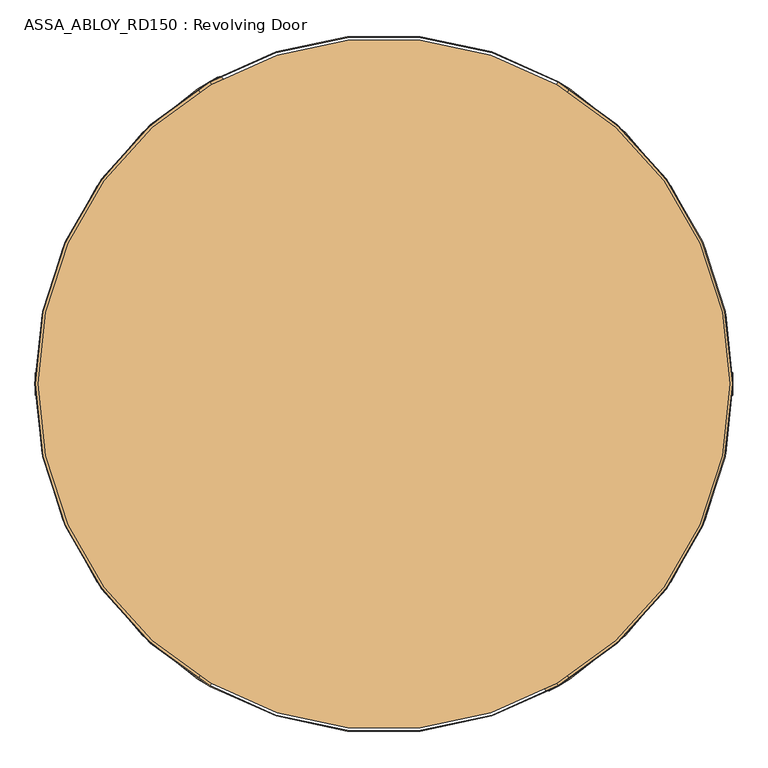
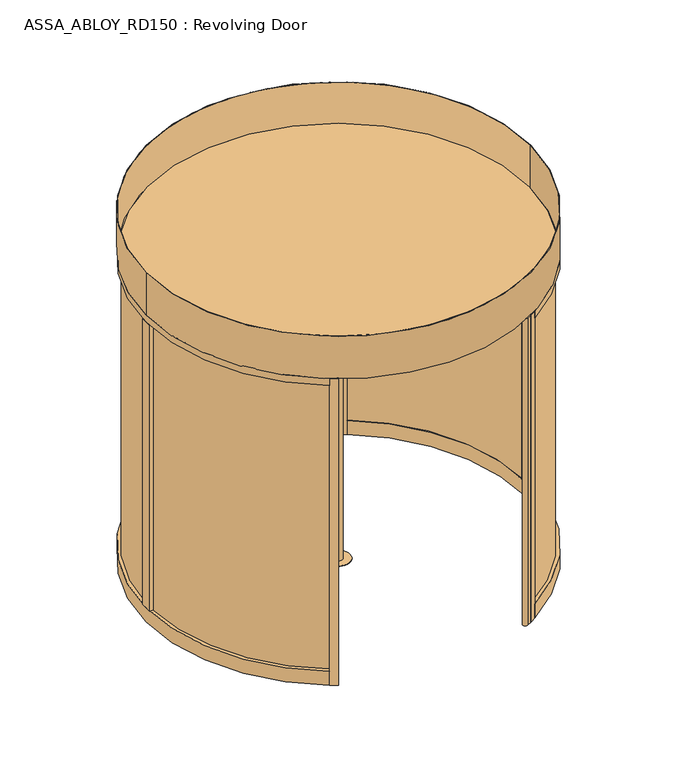
"""IFC4 building model written with IfcOpenShell, lengths in millimetres: door geometry, ASSA_ABLOY_RD150 : Revolving Door."""

from ifc_helpers import new_model, si_unit, point, frame, frame_2d, origin, origin_with_axes, origin_2d, place, context, project, spatial, polyline, circle_curve, trimmed, segment, composite_curve, outline, extrude, source, transform, mapped, element, save


def assa_abloy_rd150_revolving_door_ef38d8df(model_context):
    return source(origin(), model_context, "Body", "SweptSolid", [
        extrude(outline(polyline([(28.0, -1415.4407922), (47.8848654, -1422.768158), (47.8848654, -1426.3412198), (28.0, -1433.6685856), (28.0, -1430.8463846), (33.6340452, -1428.842363), (33.6340452, -1420.2721931), (28.0, -1418.2681716), (28.0, -1415.4407922)]), holes=[polyline([(35.9539462, -1421.126621), (35.9539462, -1428.0034703), (45.4562191, -1424.5546889), (35.9539462, -1421.126621)])]), frame((0.0, -22.0, 0.0), z_axis=(0.0, 1.0, 0.0), x_axis=(0.0, 0.0, 1.0)), (0.0, 0.0, 1.0), 2.0),
        extrude(outline(polyline([(33.6858287, -1397.8758278), (36.999973, -1399.0383674), (38.7709688, -1402.505273), (39.3172847, -1405.2731013), (39.7703904, -1407.7923687), (40.8500765, -1410.1355723), (42.794547, -1410.8009903), (45.0290052, -1409.4442625), (45.8963789, -1405.8556657), (45.2361392, -1401.8761034), (43.5764779, -1398.5386566), (46.7870552, -1398.5386566), (47.804601, -1401.7466447), (48.2162799, -1405.7262069), (46.6239371, -1411.269631), (42.5408079, -1413.4523057), (39.0195296, -1412.1292372), (37.1087183, -1408.061643), (36.6685585, -1405.4931812), (36.2283987, -1403.2405988), (35.2574581, -1401.1977395), (33.3129875, -1400.5271432), (30.8946979, -1401.9330653), (29.9884865, -1405.8660224), (30.6772071, -1409.6772883), (32.6398019, -1413.4523057), (29.2790525, -1413.4523057), (28.0750861, -1409.9051357), (27.6685856, -1405.9747678), (28.147583, -1402.4949163), (29.4810082, -1399.9678813), (31.3944087, -1398.4247329), (33.6858287, -1397.8758278)])), frame((0.0, -22.0, 0.0), z_axis=(0.0, 1.0, 0.0), x_axis=(0.0, 0.0, 1.0)), (0.0, 0.0, 1.0), 2.0),
        extrude(outline(polyline([(33.6858287, -1378.9852056), (36.999973, -1380.1477453), (38.7709688, -1383.6146508), (39.3172847, -1386.3824791), (39.7703904, -1388.9017466), (40.8500765, -1391.2449501), (42.794547, -1391.9103681), (45.0290052, -1390.5536403), (45.8963789, -1386.9650435), (45.2361392, -1382.9854813), (43.5764779, -1379.6480344), (46.7870552, -1379.6480344), (47.804601, -1382.8560225), (48.2162799, -1386.8355848), (46.6239371, -1392.3790088), (42.5408079, -1394.5616835), (39.0195296, -1393.238615), (37.1087183, -1389.1710208), (36.6685585, -1386.602559), (36.2283987, -1384.3499766), (35.2574581, -1382.3071174), (33.3129875, -1381.636521), (30.8946979, -1383.0424431), (29.9884865, -1386.9754002), (30.6772071, -1390.7866661), (32.6398019, -1394.5616835), (29.2790525, -1394.5616835), (28.0750861, -1391.0145135), (27.6685856, -1387.0841456), (28.147583, -1383.6042941), (29.4810082, -1381.0772591), (31.3944087, -1379.5341107), (33.6858287, -1378.9852056)])), frame((0.0, -22.0, 0.0), z_axis=(0.0, 1.0, 0.0), x_axis=(0.0, 0.0, 1.0)), (0.0, 0.0, 1.0), 2.0),
        extrude(outline(polyline([(28.0, -1358.7689257), (47.8848654, -1366.0962915), (47.8848654, -1369.6693533), (28.0, -1376.996719), (28.0, -1374.1745181), (33.6340452, -1372.1704965), (33.6340452, -1363.6003266), (28.0, -1361.596305), (28.0, -1358.7689257)]), holes=[polyline([(35.9539462, -1364.4547544), (35.9539462, -1371.3316037), (45.4562191, -1367.8828224), (35.9539462, -1364.4547544)])]), frame((0.0, -22.0, 0.0), z_axis=(0.0, 1.0, 0.0), x_axis=(0.0, 0.0, 1.0)), (0.0, 0.0, 1.0), 2.0),
        extrude(outline(polyline([(28.0, -1330.2672852), (47.8848654, -1337.594651), (47.8848654, -1341.1677128), (28.0, -1348.4950786), (28.0, -1345.6728776), (33.6340452, -1343.668856), (33.6340452, -1335.0986861), (28.0, -1333.0946645), (28.0, -1330.2672852)]), holes=[polyline([(35.9539462, -1335.953114), (35.9539462, -1342.8299633), (45.4562191, -1339.3811819), (35.9539462, -1335.953114)])]), frame((0.0, -22.0, 0.0), z_axis=(0.0, 1.0, 0.0), x_axis=(0.0, 0.0, 1.0)), (0.0, 0.0, 1.0), 2.0),
        extrude(outline(polyline([(34.1311668, -1312.0394919), (37.561824, -1313.2097991), (39.4441543, -1316.4100196), (41.0597997, -1314.4370681), (43.4521975, -1313.696564), (45.5960346, -1314.2014532), (47.0615077, -1315.824866), (47.7269258, -1317.9402222), (47.8848654, -1321.2673123), (47.8848654, -1327.2845554), (28.0, -1327.2845554), (28.0, -1320.1177185), (28.3754304, -1316.6482237), (29.6311804, -1314.1419022), (31.5083324, -1312.6091105), (34.1311668, -1312.0394919)]), holes=[polyline([(41.5595105, -1317.6631804), (39.9309193, -1321.0498216), (39.9309193, -1324.63324), (45.5649645, -1324.63324), (45.5649645, -1321.3294525), (45.4795217, -1319.0069623), (41.5595105, -1317.6631804)]), polyline([(34.0172431, -1314.6908073), (32.3187442, -1315.0507027), (31.148437, -1316.1821722), (30.4985541, -1318.0645026), (30.319901, -1321.0083948), (30.319901, -1324.63324), (37.6110183, -1324.63324), (37.6110183, -1320.3352092), (37.5126296, -1318.0308433), (37.0828266, -1316.4203763), (35.8995735, -1315.0636485), (34.0172431, -1314.6908073)])]), frame((0.0, -22.0, 0.0), z_axis=(0.0, 1.0, 0.0), x_axis=(0.0, 0.0, 1.0)), (0.0, 0.0, 1.0), 2.0),
        extrude(outline(polyline([(28.0, -1295.8001851), (30.319901, -1295.8001851), (30.319901, -1305.7426179), (47.8848654, -1305.7426179), (47.8848654, -1308.3939332), (28.0, -1308.3939332), (28.0, -1295.8001851)])), frame((0.0, -22.0, 0.0), z_axis=(0.0, 1.0, 0.0), x_axis=(0.0, 0.0, 1.0)), (0.0, 0.0, 1.0), 2.0),
        extrude(outline(polyline([(45.5390727, -1278.3905712), (47.5197917, -1281.2464314), (48.2162799, -1285.0343947), (47.5275593, -1288.7861095), (45.5390727, -1291.6678615), (42.2611769, -1293.5113543), (37.9372544, -1294.143113), (33.5770834, -1293.5035867), (30.3561494, -1291.6782182), (28.3573062, -1288.7990554), (27.6685856, -1285.0343947), (28.3443603, -1281.2593773), (30.3561494, -1278.3905712), (33.571905, -1276.5677918), (37.9372544, -1275.9153197), (42.292247, -1276.554846), (45.5390727, -1278.3905712)]), holes=[polyline([(37.9372544, -1278.5666351), (32.0339349, -1280.3169175), (29.9884865, -1285.024038), (32.0339349, -1289.7337477), (37.9372544, -1291.4917976), (43.8250388, -1289.7674069), (45.8963789, -1285.024038), (43.8250388, -1280.2962041), (37.9372544, -1278.5666351)])]), frame((0.0, -22.0, 0.0), z_axis=(0.0, 1.0, 0.0), x_axis=(0.0, 0.0, 1.0)), (0.0, 0.0, 1.0), 2.0),
        extrude(outline(polyline([(47.8848654, -1257.0246975), (47.8848654, -1260.1938479), (38.9884595, -1265.6259375), (47.8848654, -1271.1149889), (47.8848654, -1274.2582476), (36.4407111, -1266.9671302), (28.0, -1266.9671302), (28.0, -1264.3158148), (36.720342, -1264.3158148), (47.8848654, -1257.0246975)])), frame((0.0, -22.0, 0.0), z_axis=(0.0, 1.0, 0.0), x_axis=(0.0, 0.0, 1.0)), (0.0, 0.0, 1.0), 2.0),
        extrude(outline(polyline([(28.0, -1275.9153197), (28.0, -1273.0879404), (33.6340452, -1271.0839188), (33.6340452, -1262.5137489), (28.0, -1260.5097273), (28.0, -1257.6875264), (47.8848654, -1265.0148921), (47.8848654, -1268.5879539), (28.0, -1275.9153197)]), holes=[polyline([(35.9539462, -1270.229491), (45.4562191, -1266.801423), (35.9539462, -1263.3526417), (35.9539462, -1270.229491)])]), frame((0.0, 20.0, 0.0), z_axis=(0.0, 1.0, 0.0), x_axis=(0.0, 0.0, 1.0)), (0.0, 0.0, 1.0), 2.0),
        extrude(outline(polyline([(33.6858287, -1293.4802842), (31.3944087, -1292.931379), (29.4810082, -1291.3882306), (28.147583, -1288.8611956), (27.6685856, -1285.3813442), (28.0750861, -1281.4509762), (29.2790525, -1277.9038062), (32.6398019, -1277.9038062), (30.6772071, -1281.6788237), (29.9884865, -1285.4900895), (30.8946979, -1289.4230466), (33.3129875, -1290.8289688), (35.2574581, -1290.1583724), (36.2283987, -1288.1155132), (36.6685585, -1285.8629308), (37.1087183, -1283.294469), (39.0195296, -1279.2268747), (42.5408079, -1277.9038062), (46.6239371, -1280.0864809), (48.2162799, -1285.629905), (47.804601, -1289.6094673), (46.7870552, -1292.8174553), (43.5764779, -1292.8174553), (45.2361392, -1289.4800085), (45.8963789, -1285.5004462), (45.0290052, -1281.9118494), (42.794547, -1280.5551216), (40.8500765, -1281.2205396), (39.7703904, -1283.5637432), (39.3172847, -1286.0830106), (38.7709688, -1288.8508389), (36.999973, -1292.3177445), (33.6858287, -1293.4802842)])), frame((0.0, 20.0, 0.0), z_axis=(0.0, 1.0, 0.0), x_axis=(0.0, 0.0, 1.0)), (0.0, 0.0, 1.0), 2.0),
        extrude(outline(polyline([(33.6858287, -1312.3709063), (31.3944087, -1311.8220012), (29.4810082, -1310.2788528), (28.147583, -1307.7518178), (27.6685856, -1304.2719663), (28.0750861, -1300.3415984), (29.2790525, -1296.7944284), (32.6398019, -1296.7944284), (30.6772071, -1300.5694458), (29.9884865, -1304.3807117), (30.8946979, -1308.3136688), (33.3129875, -1309.7195909), (35.2574581, -1309.0489946), (36.2283987, -1307.0061353), (36.6685585, -1304.7535529), (37.1087183, -1302.1850911), (39.0195296, -1298.1174969), (42.5408079, -1296.7944284), (46.6239371, -1298.9771031), (48.2162799, -1304.5205272), (47.804601, -1308.5000894), (46.7870552, -1311.7080775), (43.5764779, -1311.7080775), (45.2361392, -1308.3706307), (45.8963789, -1304.3910684), (45.0290052, -1300.8024716), (42.794547, -1299.4457438), (40.8500765, -1300.1111618), (39.7703904, -1302.4543654), (39.3172847, -1304.9736328), (38.7709688, -1307.7414611), (36.999973, -1311.2083667), (33.6858287, -1312.3709063)])), frame((0.0, 20.0, 0.0), z_axis=(0.0, 1.0, 0.0), x_axis=(0.0, 0.0, 1.0)), (0.0, 0.0, 1.0), 2.0),
        extrude(outline(polyline([(28.0, -1332.5871862), (28.0, -1329.7598069), (33.6340452, -1327.7557853), (33.6340452, -1319.1856154), (28.0, -1317.1815938), (28.0, -1314.3593929), (47.8848654, -1321.6867587), (47.8848654, -1325.2598204), (28.0, -1332.5871862)]), holes=[polyline([(35.9539462, -1326.9013575), (45.4562191, -1323.4732895), (35.9539462, -1320.0245082), (35.9539462, -1326.9013575)])]), frame((0.0, 20.0, 0.0), z_axis=(0.0, 1.0, 0.0), x_axis=(0.0, 0.0, 1.0)), (0.0, 0.0, 1.0), 2.0),
        extrude(outline(polyline([(28.0, -1361.0888267), (28.0, -1358.2614474), (33.6340452, -1356.2574258), (33.6340452, -1347.6872559), (28.0, -1345.6832343), (28.0, -1342.8610334), (47.8848654, -1350.1883991), (47.8848654, -1353.7614609), (28.0, -1361.0888267)]), holes=[polyline([(35.9539462, -1355.402998), (45.4562191, -1351.97493), (35.9539462, -1348.5261487), (35.9539462, -1355.402998)])]), frame((0.0, 20.0, 0.0), z_axis=(0.0, 1.0, 0.0), x_axis=(0.0, 0.0, 1.0)), (0.0, 0.0, 1.0), 2.0),
        extrude(outline(polyline([(34.1311668, -1379.31662), (31.5083324, -1378.7470015), (29.6311804, -1377.2142098), (28.3754304, -1374.7078882), (28.0, -1371.2383934), (28.0, -1364.0715565), (47.8848654, -1364.0715565), (47.8848654, -1370.0887996), (47.7269258, -1373.4158898), (47.0615077, -1375.5312459), (45.5960346, -1377.1546587), (43.4521975, -1377.6595479), (41.0597997, -1376.9190438), (39.4441543, -1374.9460923), (37.561824, -1378.1463128), (34.1311668, -1379.31662)]), holes=[polyline([(41.5595105, -1373.6929315), (45.4795217, -1372.3491496), (45.5649645, -1370.0266594), (45.5649645, -1366.7228719), (39.9309193, -1366.7228719), (39.9309193, -1370.3062904), (41.5595105, -1373.6929315)]), polyline([(34.0172431, -1376.6653046), (35.8995735, -1376.2924634), (37.0828266, -1374.9357356), (37.5126296, -1373.3252686), (37.6110183, -1371.0209027), (37.6110183, -1366.7228719), (30.319901, -1366.7228719), (30.319901, -1370.3477172), (30.4985541, -1373.2916094), (31.148437, -1375.1739397), (32.3187442, -1376.3054093), (34.0172431, -1376.6653046)])]), frame((0.0, 20.0, 0.0), z_axis=(0.0, 1.0, 0.0), x_axis=(0.0, 0.0, 1.0)), (0.0, 0.0, 1.0), 2.0),
        extrude(outline(polyline([(28.0, -1395.5559268), (28.0, -1382.9621787), (47.8848654, -1382.9621787), (47.8848654, -1385.6134941), (30.319901, -1385.6134941), (30.319901, -1395.5559268), (28.0, -1395.5559268)])), frame((0.0, 20.0, 0.0), z_axis=(0.0, 1.0, 0.0), x_axis=(0.0, 0.0, 1.0)), (0.0, 0.0, 1.0), 2.0),
        extrude(outline(polyline([(45.5390727, -1412.9655408), (42.292247, -1414.801266), (37.9372544, -1415.4407922), (33.571905, -1414.7883201), (30.3561494, -1412.9655408), (28.3443603, -1410.0967347), (27.6685856, -1406.3217172), (28.3573062, -1402.5570565), (30.3561494, -1399.6778937), (33.5770834, -1397.8525252), (37.9372544, -1397.2129989), (42.2611769, -1397.8447577), (45.5390727, -1399.6882504), (47.5275593, -1402.5700024), (48.2162799, -1406.3217172), (47.5197917, -1410.1096805), (45.5390727, -1412.9655408)]), holes=[polyline([(37.9372544, -1412.7894769), (43.8250388, -1411.0599078), (45.8963789, -1406.3320739), (43.8250388, -1401.588705), (37.9372544, -1399.8643143), (32.0339349, -1401.6223643), (29.9884865, -1406.3320739), (32.0339349, -1411.0391944), (37.9372544, -1412.7894769)])]), frame((0.0, 20.0, 0.0), z_axis=(0.0, 1.0, 0.0), x_axis=(0.0, 0.0, 1.0)), (0.0, 0.0, 1.0), 2.0),
        extrude(outline(polyline([(47.8848654, -1434.3314144), (36.720342, -1427.0402971), (28.0, -1427.0402971), (28.0, -1424.3889817), (36.4407111, -1424.3889817), (47.8848654, -1417.0978644), (47.8848654, -1420.241123), (38.9884595, -1425.7301744), (47.8848654, -1431.162264), (47.8848654, -1434.3314144)])), frame((0.0, 20.0, 0.0), z_axis=(0.0, 1.0, 0.0), x_axis=(0.0, 0.0, 1.0)), (0.0, 0.0, 1.0), 2.0),
        extrude(outline(composite_curve([segment(polyline([(-750.0, 1299.0381057), (-770.0, 1333.6791218)]), True, "CONTINUOUS"), segment(trimmed(circle_curve(origin_2d(), 1540.0), [point((-770.0, 1333.6791218))], [point((-735.0991998, 1353.2291626))], False, "CARTESIAN"), True, "CONTINUOUS"), segment(trimmed(circle_curve(frame_2d((-725.5459259, 1335.642735)), 20.0136823), [point((-735.0991998, 1353.2291626))], [point((-715.0922698, 1318.5761433))], False, "CARTESIAN"), True, "CONTINUOUS"), segment(trimmed(circle_curve(origin_2d(), 1500.0), [point((-715.0922698, 1318.5761433))], [point((-750.0, 1299.0381057))], True, "CARTESIAN"), True, "CONTINUOUS")], self_intersect=False)), origin_with_axes(), (0.0, 0.0, 1.0), 2600.0),
        extrude(outline(composite_curve([segment(polyline([(750.0, -1299.0381057), (770.0, -1333.6791218)]), True, "CONTINUOUS"), segment(trimmed(circle_curve(origin_2d(), 1540.0), [point((770.0, -1333.6791218))], [point((735.0991998, -1353.2291626))], False, "CARTESIAN"), True, "CONTINUOUS"), segment(trimmed(circle_curve(frame_2d((725.5459259, -1335.642735)), 20.0136823), [point((735.0991998, -1353.2291626))], [point((715.0922698, -1318.5761433))], False, "CARTESIAN"), True, "CONTINUOUS"), segment(trimmed(circle_curve(origin_2d(), 1500.0), [point((715.0922698, -1318.5761433))], [point((750.0, -1299.0381057))], True, "CARTESIAN"), True, "CONTINUOUS")], self_intersect=False)), origin_with_axes(), (0.0, 0.0, 1.0), 2600.0),
        extrude(outline(composite_curve([segment(trimmed(circle_curve(origin_2d(), 1526.0), [point((-1526.0, 0.0))], [point((1526.0, 0.0))], False, "CARTESIAN"), True, "CONTINUOUS"), segment(trimmed(circle_curve(origin_2d(), 1526.0), [point((1526.0, 0.0))], [point((-1526.0, 0.0))], False, "CARTESIAN"), True, "CONTINUOUS")], self_intersect=False)), frame((0.0, 0.0, 2600.0), z_axis=(0.0, 0.0, 1.0), x_axis=(1.0, 0.0, 0.0)), (0.0, 0.0, 1.0), 16.0),
        extrude(outline(composite_curve([segment(polyline([(-821.3768867, 1302.4599245), (-801.361284, 1267.7918838)]), True, "CONTINUOUS"), segment(trimmed(circle_curve(frame_2d((0.0, -0.2065754)), 1500.0), [point((-801.361284, 1267.7918838))], [point((-801.361284, -1268.2050346))], True, "CARTESIAN"), True, "CONTINUOUS"), segment(polyline([(-801.361284, -1268.2050346), (-821.3768867, -1302.8730753)]), True, "CONTINUOUS"), segment(trimmed(circle_curve(frame_2d((0.0, -0.2065754)), 1540.0), [point((-821.3768867, -1302.8730753))], [point((-821.3768867, 1302.4599245))], False, "CARTESIAN"), True, "CONTINUOUS")], self_intersect=False)), frame((0.0, 0.0, 2543.0), z_axis=(0.0, 0.0, 1.0), x_axis=(1.0, 0.0, 0.0)), (0.0, 0.0, 1.0), 60.0),
        extrude(outline(composite_curve([segment(polyline([(-821.3768867, -1302.8730753), (-801.361284, -1268.2050346)]), True, "CONTINUOUS"), segment(trimmed(circle_curve(frame_2d((0.0, -0.2065754)), 1500.0), [point((-801.361284, -1268.2050346))], [point((-750.0, -1299.2446811))], True, "CARTESIAN"), True, "CONTINUOUS"), segment(polyline([(-750.0, -1299.2446811), (-770.0, -1333.8856972)]), True, "CONTINUOUS"), segment(trimmed(circle_curve(frame_2d((0.0, -0.2065754)), 1540.0), [point((-770.0, -1333.8856972))], [point((-821.3768867, -1302.8730753))], False, "CARTESIAN"), True, "CONTINUOUS")], self_intersect=False)), frame((0.0, 0.0, 3.0), z_axis=(0.0, 0.0, 1.0), x_axis=(1.0, 0.0, 0.0)), (0.0, 0.0, 1.0), 2600.0),
        extrude(outline(composite_curve([segment(polyline([(-770.0, 1333.4725464), (-750.0, 1298.8315303)]), True, "CONTINUOUS"), segment(trimmed(circle_curve(frame_2d((0.0, -0.2065754)), 1500.0), [point((-750.0, 1298.8315303))], [point((-801.361284, 1267.7918838))], True, "CARTESIAN"), True, "CONTINUOUS"), segment(polyline([(-801.361284, 1267.7918838), (-821.3768867, 1302.4599245)]), True, "CONTINUOUS"), segment(trimmed(circle_curve(frame_2d((0.0, -0.2065754)), 1540.0), [point((-821.3768867, 1302.4599245))], [point((-770.0, 1333.4725464))], False, "CARTESIAN"), True, "CONTINUOUS")], self_intersect=False)), frame((0.0, 0.0, 3.0), z_axis=(0.0, 0.0, 1.0), x_axis=(1.0, 0.0, 0.0)), (0.0, 0.0, 1.0), 2600.0),
        extrude(outline(composite_curve([segment(polyline([(-1512.1736011, -50.2065754), (-1504.1692059, -50.2065754)]), True, "CONTINUOUS"), segment(trimmed(circle_curve(frame_2d((0.0, -0.2065754)), 1505.0), [point((-1504.1692059, -50.2065754))], [point((-803.8632798, -1272.5386183))], True, "CARTESIAN"), True, "CONTINUOUS"), segment(polyline([(-803.8632798, -1272.5386183), (-807.8664455, -1279.4723047)]), True, "CONTINUOUS"), segment(trimmed(circle_curve(frame_2d((0.0, -0.2065754)), 1513.0), [point((-807.8664455, -1279.4723047))], [point((-1512.1736011, -50.2065754))], False, "CARTESIAN"), True, "CONTINUOUS")], self_intersect=False)), frame((0.0, 0.0, 123.0), z_axis=(0.0, 0.0, 1.0), x_axis=(1.0, 0.0, 0.0)), (0.0, 0.0, 1.0), 2420.0),
        extrude(outline(composite_curve([segment(polyline([(-807.8664455, 1279.0591539), (-803.8632798, 1272.1254675)]), True, "CONTINUOUS"), segment(trimmed(circle_curve(frame_2d((0.0, -0.2065754)), 1505.0), [point((-803.8632798, 1272.1254675))], [point((-1504.1692059, 49.7934246))], True, "CARTESIAN"), True, "CONTINUOUS"), segment(polyline([(-1504.1692059, 49.7934246), (-1512.1736011, 49.7934246)]), True, "CONTINUOUS"), segment(trimmed(circle_curve(frame_2d((0.0, -0.2065754)), 1513.0), [point((-1512.1736011, 49.7934246))], [point((-807.8664455, 1279.0591539))], False, "CARTESIAN"), True, "CONTINUOUS")], self_intersect=False)), frame((0.0, 0.0, 123.0), z_axis=(0.0, 0.0, 1.0), x_axis=(1.0, 0.0, 0.0)), (0.0, 0.0, 1.0), 2420.0),
        extrude(outline(polyline([(-1540.0, -50.2065754), (-1540.0, 49.7934246), (-1500.0, 49.7934246), (-1500.0, -50.2065754), (-1540.0, -50.2065754)])), frame((0.0, 0.0, 123.0), z_axis=(0.0, 0.0, 1.0), x_axis=(1.0, 0.0, 0.0)), (0.0, 0.0, 1.0), 2420.0),
        extrude(outline(composite_curve([segment(polyline([(-821.3768867, 1302.4599245), (-801.361284, 1267.7918838)]), True, "CONTINUOUS"), segment(trimmed(circle_curve(frame_2d((0.0, -0.2065754)), 1500.0), [point((-801.361284, 1267.7918838))], [point((-801.361284, -1268.2050346))], True, "CARTESIAN"), True, "CONTINUOUS"), segment(polyline([(-801.361284, -1268.2050346), (-821.3768867, -1302.8730753)]), True, "CONTINUOUS"), segment(trimmed(circle_curve(frame_2d((0.0, -0.2065754)), 1540.0), [point((-821.3768867, -1302.8730753))], [point((-821.3768867, 1302.4599245))], False, "CARTESIAN"), True, "CONTINUOUS")], self_intersect=False)), frame((0.0, 0.0, 3.0), z_axis=(0.0, 0.0, 1.0), x_axis=(1.0, 0.0, 0.0)), (0.0, 0.0, 1.0), 120.0),
        extrude(outline(composite_curve([segment(trimmed(circle_curve(origin_2d(), 1540.0), [point((821.3768867, 1302.6664999))], [point((821.3768867, -1302.6664999))], False, "CARTESIAN"), True, "CONTINUOUS"), segment(polyline([(821.3768867, -1302.6664999), (801.361284, -1267.9984592)]), True, "CONTINUOUS"), segment(trimmed(circle_curve(origin_2d(), 1500.0), [point((801.361284, -1267.9984592))], [point((801.361284, 1267.9984592))], True, "CARTESIAN"), True, "CONTINUOUS"), segment(polyline([(801.361284, 1267.9984592), (821.3768867, 1302.6664999)]), True, "CONTINUOUS")], self_intersect=False)), frame((0.0, 0.0, 2540.0), z_axis=(0.0, 0.0, 1.0), x_axis=(1.0, 0.0, 0.0)), (0.0, 0.0, 1.0), 60.0),
        extrude(outline(composite_curve([segment(trimmed(circle_curve(origin_2d(), 1540.0), [point((821.3768867, -1302.6664999))], [point((770.0, -1333.6791218))], False, "CARTESIAN"), True, "CONTINUOUS"), segment(polyline([(770.0, -1333.6791218), (750.0, -1299.0381057)]), True, "CONTINUOUS"), segment(trimmed(circle_curve(origin_2d(), 1500.0), [point((750.0, -1299.0381057))], [point((801.361284, -1267.9984592))], True, "CARTESIAN"), True, "CONTINUOUS"), segment(polyline([(801.361284, -1267.9984592), (821.3768867, -1302.6664999)]), True, "CONTINUOUS")], self_intersect=False)), origin_with_axes(), (0.0, 0.0, 1.0), 2600.0),
        extrude(outline(composite_curve([segment(trimmed(circle_curve(origin_2d(), 1540.0), [point((770.0, 1333.6791218))], [point((821.3768867, 1302.6664999))], False, "CARTESIAN"), True, "CONTINUOUS"), segment(polyline([(821.3768867, 1302.6664999), (801.361284, 1267.9984592)]), True, "CONTINUOUS"), segment(trimmed(circle_curve(origin_2d(), 1500.0), [point((801.361284, 1267.9984592))], [point((750.0, 1299.0381057))], True, "CARTESIAN"), True, "CONTINUOUS"), segment(polyline([(750.0, 1299.0381057), (770.0, 1333.6791218)]), True, "CONTINUOUS")], self_intersect=False)), origin_with_axes(), (0.0, 0.0, 1.0), 2600.0),
        extrude(outline(composite_curve([segment(trimmed(circle_curve(origin_2d(), 1513.0), [point((1512.1736011, -50.0))], [point((807.8664455, -1279.2657293))], False, "CARTESIAN"), True, "CONTINUOUS"), segment(polyline([(807.8664455, -1279.2657293), (803.8632798, -1272.3320429)]), True, "CONTINUOUS"), segment(trimmed(circle_curve(origin_2d(), 1505.0), [point((803.8632798, -1272.3320429))], [point((1504.1692059, -50.0))], True, "CARTESIAN"), True, "CONTINUOUS"), segment(polyline([(1504.1692059, -50.0), (1512.1736011, -50.0)]), True, "CONTINUOUS")], self_intersect=False)), frame((0.0, 0.0, 120.0), z_axis=(0.0, 0.0, 1.0), x_axis=(1.0, 0.0, 0.0)), (0.0, 0.0, 1.0), 2420.0),
        extrude(outline(composite_curve([segment(trimmed(circle_curve(origin_2d(), 1513.0), [point((807.8664455, 1279.2657293))], [point((1512.1736011, 50.0))], False, "CARTESIAN"), True, "CONTINUOUS"), segment(polyline([(1512.1736011, 50.0), (1504.1692059, 50.0)]), True, "CONTINUOUS"), segment(trimmed(circle_curve(origin_2d(), 1505.0), [point((1504.1692059, 50.0))], [point((803.8632798, 1272.3320429))], True, "CARTESIAN"), True, "CONTINUOUS"), segment(polyline([(803.8632798, 1272.3320429), (807.8664455, 1279.2657293)]), True, "CONTINUOUS")], self_intersect=False)), frame((0.0, 0.0, 120.0), z_axis=(0.0, 0.0, 1.0), x_axis=(1.0, 0.0, 0.0)), (0.0, 0.0, 1.0), 2420.0),
        extrude(outline(polyline([(1540.0, -50.0), (1500.0, -50.0), (1500.0, 50.0), (1540.0, 50.0), (1540.0, -50.0)])), frame((0.0, 0.0, 120.0), z_axis=(0.0, 0.0, 1.0), x_axis=(1.0, 0.0, 0.0)), (0.0, 0.0, 1.0), 2420.0),
        extrude(outline(composite_curve([segment(trimmed(circle_curve(origin_2d(), 1540.0), [point((821.3768867, 1302.6664999))], [point((821.3768867, -1302.6664999))], False, "CARTESIAN"), True, "CONTINUOUS"), segment(polyline([(821.3768867, -1302.6664999), (801.361284, -1267.9984592)]), True, "CONTINUOUS"), segment(trimmed(circle_curve(origin_2d(), 1500.0), [point((801.361284, -1267.9984592))], [point((801.361284, 1267.9984592))], True, "CARTESIAN"), True, "CONTINUOUS"), segment(polyline([(801.361284, 1267.9984592), (821.3768867, 1302.6664999)]), True, "CONTINUOUS")], self_intersect=False)), origin_with_axes(), (0.0, 0.0, 1.0), 120.0),
        extrude(outline(composite_curve([segment(trimmed(circle_curve(origin_2d(), 1541.0), [point((-1541.0, 0.0))], [point((1541.0, 0.0))], False, "CARTESIAN"), True, "CONTINUOUS"), segment(trimmed(circle_curve(origin_2d(), 1541.0), [point((1541.0, 0.0))], [point((-1541.0, 0.0))], False, "CARTESIAN"), True, "CONTINUOUS")], self_intersect=False), holes=[composite_curve([segment(trimmed(circle_curve(origin_2d(), 1537.0), [point((-1537.0, 0.0))], [point((1537.0, 0.0))], True, "CARTESIAN"), True, "CONTINUOUS"), segment(trimmed(circle_curve(origin_2d(), 1537.0), [point((1537.0, 0.0))], [point((-1537.0, 0.0))], True, "CARTESIAN"), True, "CONTINUOUS")], self_intersect=False)]), frame((0.0, 0.0, 2600.0), z_axis=(0.0, 0.0, 1.0), x_axis=(1.0, 0.0, 0.0)), (0.0, 0.0, 1.0), 360.0),
        extrude(outline(composite_curve([segment(trimmed(circle_curve(origin_2d(), 34.0), [point((-34.0, 0.0))], [point((34.0, 0.0))], False, "CARTESIAN"), True, "CONTINUOUS"), segment(trimmed(circle_curve(origin_2d(), 34.0), [point((34.0, 0.0))], [point((-34.0, 0.0))], False, "CARTESIAN"), True, "CONTINUOUS")], self_intersect=False)), origin_with_axes(), (0.0, 0.0, 1.0), 2600.0),
        extrude(outline(composite_curve([segment(trimmed(circle_curve(origin_2d(), 94.0), [point((-94.0, 0.0))], [point((94.0, 0.0))], False, "CARTESIAN"), True, "CONTINUOUS"), segment(trimmed(circle_curve(origin_2d(), 94.0), [point((94.0, 0.0))], [point((-94.0, 0.0))], False, "CARTESIAN"), True, "CONTINUOUS")], self_intersect=False)), origin_with_axes(), (0.0, 0.0, 1.0), 3.0),
    ])


if __name__ == "__main__":
    model = new_model("IFC4")
    model_context = context("Model", 3, world=origin())
    ifc_project = project(units=[si_unit("LENGTHUNIT", "METRE", prefix="MILLI")], contexts=[model_context])
    site = spatial("IfcSite", under=ifc_project)
    building = spatial("IfcBuilding", under=site)
    placement = place(None, origin())
    assa_abloy_rd150_revolving_door_shape = assa_abloy_rd150_revolving_door_ef38d8df(model_context)
    element("IfcDoor", 1, ObjectType="ASSA_ABLOY_RD150 : Revolving Door", at=placement, inside=building, context=model_context, shape_type="MappedRepresentation", body=[
        mapped(assa_abloy_rd150_revolving_door_shape, transform((0.0, 0.0, 0.0), x_axis=(1.0, 0.0, 0.0), y_axis=(0.0, 1.0, 0.0), z_axis=(0.0, 0.0, 1.0))),
    ])
    save(model, "model.ifc")
